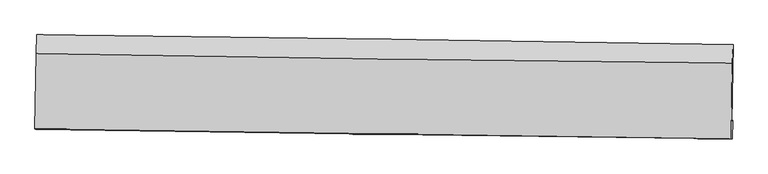
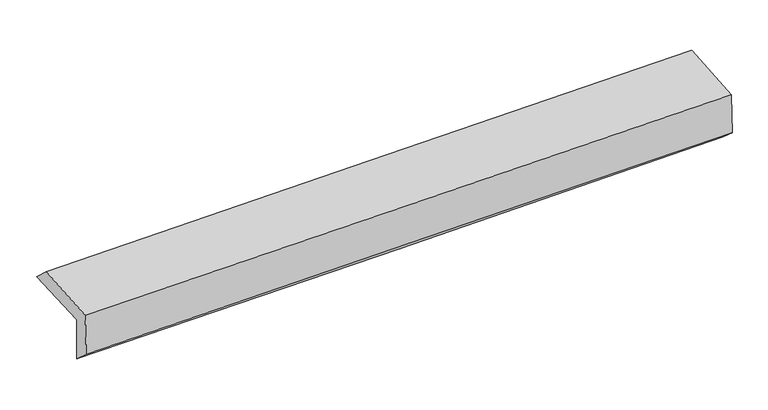
"""IFC4 building model written with IfcOpenShell, lengths in millimetres: proxy geometry."""

from ifc_helpers import new_model, si_unit, frame, origin, place, context, project, spatial, source, transform, mapped, element, save
from ifc_brep_helpers import plane_surface, spline_curve, spline_surface, advanced_brep


def generic_models_f35cc0d7(model_context):
    return source(origin(), model_context, "Body", "AdvancedBrep", [
        advanced_brep(
        [(-3026.3678919, -1756.5785538, 1946.5522228), (-3014.3370781, -1087.2568585, 1963.8857978), (3014.7202659, -1173.9058204, 2119.2076245), (3003.9591536, -1848.1122405, 2108.5019368), (-3016.9808129, -1739.3788993, 1547.0324427), (3013.5750883, -1830.4932606, 1699.241918), (-3023.5221797, -1908.6780914, 1696.7789911), (3007.761341, -1992.8683736, 1838.0239581), (-3032.2767257, -1904.8200821, 2085.6518058), (2999.1637251, -1988.8804381, 2218.0810648), (-3020.9133375, -1251.9974254, 2118.8979239), (3008.9114751, -1331.7626706, 2261.0079132)],
        [
            (0, 1),
            (1, 2, spline_curve(3, [(-3014.3370781, -1087.2568585, 1963.8857978), (-2009.582684169, -1099.288958409, 1986.128251071), (-1004.887280901, -1112.524023865, 2010.189929733), (1004.79854892, -1141.406021975, 2061.962375644), (2009.788927012, -1157.05394367, 2089.674639545), (3014.7202659, -1173.9058204, 2119.2076245)], [4, 2, 4], [0.0, 9.893791926139222, 19.791651166403437])),
            (2, 3),
            (3, 0, spline_curve(3, [(3003.9591536, -1848.1122405, 2108.5019368), (1999.049770803, -1831.819368136, 2067.696751755), (993.964516701, -1816.043663465, 2033.796994938), (-1016.144642684, -1785.532859305, 1979.819431205), (-2021.168403973, -1770.797335408, 1959.735949865), (-3026.3678919, -1756.5785538, 1946.5522228)], [4, 2, 4], [0.0, 9.897859240264214, 19.791651166403437])),
            (4, 0),
            (3, 5),
            (5, 4, spline_curve(3, [(3013.5750883, -1830.4932606, 1699.241918), (2008.491652983, -1814.519299545, 1665.844521003), (1003.30031141, -1798.937975768, 1636.459917273), (-1006.885077928, -1768.566844899, 1585.726722531), (-2011.879036618, -1753.776714714, 1564.374834763), (-3016.9808129, -1739.3788993, 1547.0324427)], [4, 2, 4], [0.0, 9.899125873738962, 19.794183912856923])),
            (6, 4),
            (5, 7),
            (7, 6, spline_curve(3, [(3007.761341, -1992.8683736, 1838.0239581), (2002.320680522, -1979.82106894, 1815.869012532), (996.89010343, -1966.280016746, 1793.018564276), (-1013.537728525, -1938.216183356, 1745.93633723), (-2018.534991691, -1923.693808637, 1721.705130022), (-3023.5221797, -1908.6780914, 1696.7789911)], [4, 2, 4], [0.0, 9.899262849592242, 19.79445780827618])),
            (8, 6),
            (7, 9),
            (9, 8, spline_curve(3, [(2999.1637251, -1988.8804381, 2218.0810648), (1993.763187298, -1975.811527066, 2194.47345453), (988.339584599, -1962.270505266, 2171.631767185), (-1022.140584938, -1934.249998532, 2127.48930998), (-2027.197132053, -1919.770901561, 2106.187911234), (-3032.2767257, -1904.8200821, 2085.6518058)], [4, 2, 4], [0.0, 9.899509985469054, 19.794951978474586])),
            (10, 8),
            (9, 11),
            (11, 10, spline_curve(3, [(3008.9114751, -1331.7626706, 2261.0079132), (2003.654272809, -1321.22984364, 2238.813290521), (998.437015111, -1309.314676422, 2215.870892819), (-1011.504556535, -1282.725125305, 2168.500281752), (-2016.228902665, -1268.051877615, 2144.072683292), (-3020.9133375, -1251.9974254, 2118.8979239)], [4, 2, 4], [0.0, 9.898282699700331, 19.79249791126405])),
            (1, 10),
            (11, 2),
        ],
        [
            spline_surface(3, 3, [[(-3026.3678919, -1756.5785538, 1946.5522228), (-2021.168404022, -1770.79733525, 1959.735949836), (-1016.14464282, -1785.532859422, 1979.819431121), (993.964516837, -1816.043663349, 2033.796995022), (1999.049770843, -1831.819368122, 2067.696751713), (3003.9591536, -1848.1122405, 2108.5019368)], [(-3022.357620654, -1533.471322002, 1952.330081145), (-2017.306497467, -1546.961209587, 1968.533383645), (-1012.392188844, -1561.196580897, 1989.942930615), (997.575860878, -1591.164449531, 2043.185455273), (2002.629489529, -1606.897559981, 2075.022714354), (3007.546191042, -1623.376767148, 2112.070499369)], [(-3018.347349346, -1310.364090298, 1958.107939455), (-2013.444590849, -1323.125084018, 1977.33081742), (-1008.639734893, -1336.860302421, 2000.066430109), (1001.187204895, -1366.285235762, 2052.573915524), (2006.20920819, -1381.975751796, 2082.348676987), (3011.133228458, -1398.641293752, 2115.639061931)], [(-3014.3370781, -1087.2568585, 1963.8857978), (-2009.582684294, -1099.288958355, 1986.128251229), (-1004.887280917, -1112.524023896, 2010.189929603), (1004.798548936, -1141.406021944, 2061.962375774), (2009.788926876, -1157.053943655, 2089.674639627), (3014.7202659, -1173.9058204, 2119.2076245)]], [4, 4], [4, 2, 4], [0.0, 2.2130883539094675], [0.0, 9.893791926139222, 19.791651166403437]),
            spline_surface(3, 3, [[(-3016.9808129, -1739.3788993, 1547.0324427), (-2011.879036619, -1753.776714688, 1564.374834601), (-1006.885077787, -1768.566844754, 1585.726722667), (1003.300311268, -1798.937975913, 1636.459917137), (2008.491652856, -1814.519299578, 1665.844520899), (3013.5750883, -1830.4932606, 1699.241918)], [(-3020.109839239, -1745.112117499, 1680.205702708), (-2014.975492426, -1759.450254907, 1696.161872987), (-1009.971599472, -1774.222182989, 1717.0909588), (1000.188379784, -1804.639871738, 1768.905609747), (2005.344358835, -1820.285989084, 1799.795264521), (3010.369776717, -1836.366253892, 1835.661924284)], [(-3023.238865561, -1750.845335601, 1813.378962792), (-2018.071948215, -1765.123795031, 1827.94891145), (-1013.058121135, -1779.877521186, 1848.455194988), (997.076448321, -1810.341767524, 1901.351302412), (2002.197064864, -1826.052678615, 1933.746008091), (3007.164465183, -1842.239247208, 1972.081930516)], [(-3026.3678919, -1756.5785538, 1946.5522228), (-2021.168404022, -1770.79733525, 1959.735949836), (-1016.14464282, -1785.532859422, 1979.819431121), (993.964516837, -1816.043663349, 2033.796995022), (1999.049770843, -1831.819368122, 2067.696751713), (3003.9591536, -1848.1122405, 2108.5019368)]], [4, 4], [4, 2, 4], [0.0, 1.2998399197919948], [0.0, 9.895058039117961, 19.794183912856923]),
            spline_surface(3, 3, [[(-3023.5221797, -1908.6780914, 1696.7789911), (-2018.534991558, -1923.693808522, 1721.70512989), (-1013.537728511, -1938.216183488, 1745.936337169), (996.890103416, -1966.280016613, 1793.018564337), (2002.320680644, -1979.821069011, 1815.869012695), (3007.761341, -1992.8683736, 1838.0239581)], [(-3021.3417241, -1852.245027359, 1646.863474992), (-2016.316339912, -1867.054777236, 1669.261698152), (-1011.320178262, -1881.666403902, 1692.533132367), (999.026839375, -1910.499336372, 1740.832348636), (2004.377671393, -1924.720479191, 1765.860848743), (3009.699256778, -1938.743335925, 1791.763278047)], [(-3019.1612685, -1795.811963341, 1596.947958808), (-2014.097688266, -1810.415745973, 1616.818266338), (-1009.102628036, -1825.11662434, 1639.129927469), (1001.16357531, -1854.718656154, 1688.646132838), (2006.434662108, -1869.619889397, 1715.852684851), (3011.637172522, -1884.618298275, 1745.502598053)], [(-3016.9808129, -1739.3788993, 1547.0324427), (-2011.879036619, -1753.776714688, 1564.374834601), (-1006.885077787, -1768.566844754, 1585.726722667), (1003.300311268, -1798.937975913, 1636.459917137), (2008.491652856, -1814.519299578, 1665.844520899), (3013.5750883, -1830.4932606, 1699.241918)]], [4, 4], [4, 2, 4], [0.0, 0.7589923090954901], [0.0, 9.89519495868394, 19.79445780827618]),
            spline_surface(3, 3, [[(-3032.2767257, -1904.8200821, 2085.6518058), (-2027.197132171, -1919.770901716, 2106.18791107), (-1022.140584773, -1934.249998601, 2127.489310086), (988.339584434, -1962.270505197, 2171.631767078), (1993.763187327, -1975.811526975, 2194.473454377), (2999.1637251, -1988.8804381, 2218.0810648)], [(-3029.358543693, -1906.10608518, 1956.027534226), (-2024.30975196, -1921.078537298, 1978.026984002), (-1019.272966003, -1935.572060236, 2000.304985775), (991.189757444, -1963.607009009, 2045.427366159), (1996.615685097, -1977.148040984, 2068.271973814), (3002.029597064, -1990.20974993, 2091.395362565)], [(-3026.440361707, -1907.39208832, 1826.403262674), (-2021.422371769, -1922.38617294, 1849.866056957), (-1016.40534728, -1936.894121853, 1873.12066148), (994.039930407, -1964.943512802, 1919.222965257), (1999.468182874, -1978.484555002, 1942.070493257), (3004.895469036, -1991.53906177, 1964.709660335)], [(-3023.5221797, -1908.6780914, 1696.7789911), (-2018.534991558, -1923.693808522, 1721.70512989), (-1013.537728511, -1938.216183488, 1745.936337169), (996.890103416, -1966.280016613, 1793.018564337), (2002.320680644, -1979.821069011, 1815.869012695), (3007.761341, -1992.8683736, 1838.0239581)]], [4, 4], [4, 2, 4], [0.0, 1.2473758326802722], [0.0, 9.895441993005532, 19.794951978474586]),
            spline_surface(3, 3, [[(-3020.9133375, -1251.9974254, 2118.8979239), (-2016.228902637, -1268.051877658, 2144.072683254), (-1011.504556389, -1282.725125404, 2168.500281849), (998.437014965, -1309.314676323, 2215.870892723), (2003.654272965, -1321.229843645, 2238.813290557), (3008.9114751, -1331.7626706, 2261.0079132)], [(-3024.701133568, -1469.60497765, 2107.81588454), (-2019.884979149, -1485.29155236, 2131.444425866), (-1015.049899193, -1499.900083133, 2154.829957907), (995.071204779, -1526.966619278, 2201.124517487), (2000.357244429, -1539.423738108, 2224.033345177), (3005.662225111, -1550.801926452, 2246.698963747)], [(-3028.488929632, -1687.21252985, 2096.73384516), (-2023.541055659, -1702.531227014, 2118.816168458), (-1018.595241969, -1717.075040872, 2141.159634028), (991.705394621, -1744.618562242, 2186.378142314), (1997.060215862, -1757.617632513, 2209.253399757), (3002.412975089, -1769.841182248, 2232.390014253)], [(-3032.2767257, -1904.8200821, 2085.6518058), (-2027.197132171, -1919.770901716, 2106.18791107), (-1022.140584773, -1934.249998601, 2127.489310086), (988.339584434, -1962.270505197, 2171.631767078), (1993.763187327, -1975.811526975, 2194.473454377), (2999.1637251, -1988.8804381, 2218.0810648)]], [4, 4], [4, 2, 4], [0.0, 2.144731682735062], [0.0, 9.894215211563719, 19.79249791126405]),
            spline_surface(3, 3, [[(-3014.3370781, -1087.2568585, 1963.8857978), (-2009.582684294, -1099.288958355, 1986.128251229), (-1004.887280917, -1112.524023896, 2010.189929603), (1004.798548936, -1141.406021944, 2061.962375774), (2009.788926876, -1157.053943655, 2089.674639627), (3014.7202659, -1173.9058204, 2119.2076245)], [(-3016.529164546, -1142.170380811, 2015.55650649), (-2011.798090387, -1155.5432648, 2038.776395227), (-1007.093039422, -1169.257724407, 2062.960047031), (1002.678037598, -1197.375573412, 2113.265214769), (2007.744042228, -1211.779243638, 2139.387523259), (3012.784002289, -1226.524770453, 2166.474387389)], [(-3018.721251054, -1197.083903089, 2067.22721521), (-2014.013496543, -1211.797571213, 2091.424539256), (-1009.298797884, -1225.991424893, 2115.730164421), (1000.557526304, -1253.345124855, 2164.568053727), (2005.699157613, -1266.504543663, 2189.100406925), (3010.847738711, -1279.143720547, 2213.741150311)], [(-3020.9133375, -1251.9974254, 2118.8979239), (-2016.228902637, -1268.051877658, 2144.072683254), (-1011.504556389, -1282.725125404, 2168.500281849), (998.437014965, -1309.314676323, 2215.870892723), (2003.654272965, -1321.229843645, 2238.813290557), (3008.9114751, -1331.7626706, 2261.0079132)]], [4, 4], [4, 2, 4], [0.0, 0.7552446199821671], [0.0, 9.892733029114593, 19.78953293704415]),
            plane_surface(frame((3008.0151748, -1694.337134, 2040.6774026), z_axis=(0.9996072453427887, -0.01631667451562815, 0.022784231190741213), x_axis=(0.022614874867806715, -0.010489729152665299, -0.99968921821585))),
            plane_surface(frame((-3022.3996709, -1608.1183184, 1893.1331973), z_axis=(-0.9995704233858419, 0.018554445450892857, -0.0226870281495499), x_axis=(-0.01796571131428742, -0.9995034931063748, -0.0258843675821268))),
        ],
        [
            (0, [[1, 2, 3, 4]]),
            (1, [[5, -4, 6, 7]]),
            (2, [[8, -7, 9, 10]]),
            (3, [[11, -10, 12, 13]]),
            (4, [[14, -13, 15, 16]]),
            (5, [[17, -16, 18, -2]]),
            (6, [[-12, -9, -6, -3, -18, -15]]),
            (7, [[-1, -5, -8, -11, -14, -17]]),
        ],
    ),
    ])


if __name__ == "__main__":
    model = new_model("IFC4")
    model_context = context("Model", 3, world=origin())
    ifc_project = project(units=[si_unit("LENGTHUNIT", "METRE", prefix="MILLI")], contexts=[model_context])
    site = spatial("IfcSite", under=ifc_project)
    building = spatial("IfcBuilding", under=site)
    placement = place(None, origin())
    generic_models_shape = generic_models_f35cc0d7(model_context)
    element("IfcBuildingElementProxy", 1, Name="Generic Models", at=placement, inside=building, context=model_context, shape_type="MappedRepresentation", body=[
        mapped(generic_models_shape, transform((0.0, 0.0, 0.0), x_axis=(1.0, 0.0, 0.0), y_axis=(0.0, 1.0, 0.0), z_axis=(0.0, 0.0, 1.0))),
    ])
    save(model, "model.ifc")
